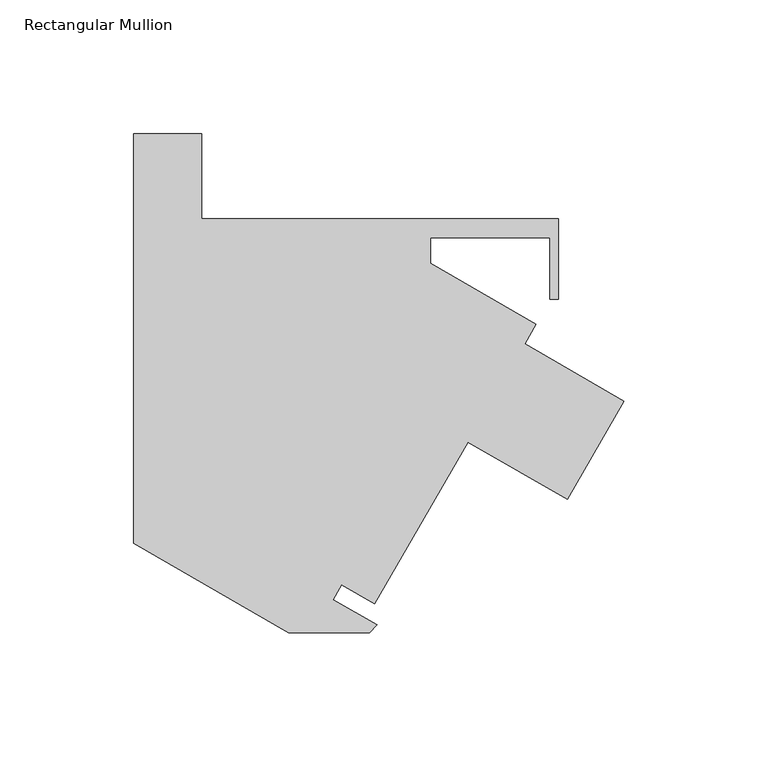
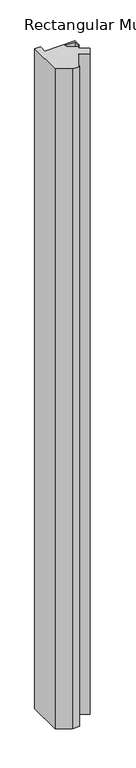
"""IFC4 building model written with IfcOpenShell, lengths in millimetres: member geometry, Rectangular Mullion."""

from ifc_helpers import new_model, si_unit, frame, origin, place, context, project, spatial, polyline, outline, extrude, source, transform, mapped, element, save


def rectangular_mullion_90b41586(model_context):
    return source(origin(), model_context, "Body", "SweptSolid", [
        extrude(outline(polyline([(-183.2919279, 76.2), (-157.9746824, 76.2), (-157.9746824, 44.45), (-24.6246824, 44.45), (-24.6246824, 14.3256), (-27.7996824, 14.3256), (-27.7996824, 37.338), (-72.2685279, 37.338), (-72.2685279, 27.764606), (-32.92296, 5.0484318), (-37.1200139, -2.2210787), (0.0, -23.6523287), (-21.2029462, -60.3769087), (-58.32296, -38.9456587), (-93.2479854, -99.4375771), (-105.6213234, -92.2938271), (-108.7970221, -97.7942987), (-92.3208483, -107.3068222), (-95.2200468, -110.2060207), (-125.3920273, -110.2070744), (-183.2919279, -76.7785512), (-183.2919279, 76.2)])), frame((0.0, 0.0, -3048.0), z_axis=(0.0, 0.0, 1.0), x_axis=(1.0, 0.0, 0.0)), (0.0, 0.0, 1.0), 3048.0),
    ])


if __name__ == "__main__":
    model = new_model("IFC4")
    model_context = context("Model", 3, world=origin())
    ifc_project = project(units=[si_unit("LENGTHUNIT", "METRE", prefix="MILLI")], contexts=[model_context])
    site = spatial("IfcSite", under=ifc_project)
    building = spatial("IfcBuilding", under=site)
    placement = place(None, origin())
    rectangular_mullion_shape = rectangular_mullion_90b41586(model_context)
    element("IfcMember", 1, ObjectType="Rectangular Mullion", at=placement, inside=building, context=model_context, shape_type="MappedRepresentation", body=[
        mapped(rectangular_mullion_shape, transform((0.0, 0.0, 0.0), x_axis=(1.0, 0.0, 0.0), y_axis=(0.0, 1.0, 0.0), z_axis=(0.0, 0.0, 1.0))),
    ])
    save(model, "model.ifc")
